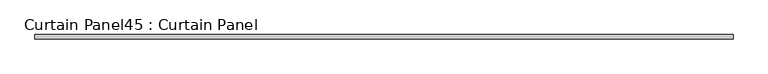
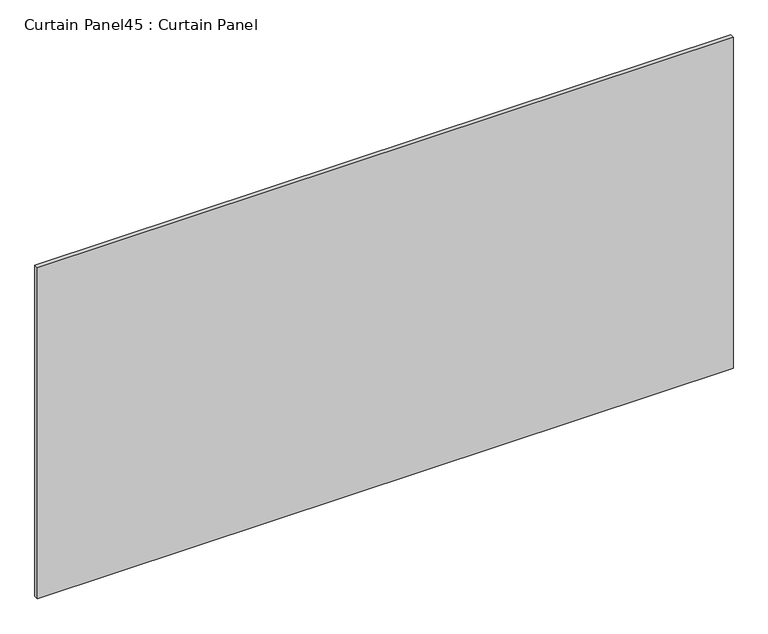
"""IFC4 building model written with IfcOpenShell, lengths in millimetres: plate geometry, Curtain Panel45 : Curtain Panel."""

from ifc_helpers import new_model, si_unit, frame, origin, place, context, project, spatial, polyline, outline, extrude, source, transform, mapped, element, save


def curtain_panel45_curtain_panel_f419d3b4(model_context):
    return source(origin(), model_context, "Body", "SweptSolid", [
        extrude(outline(polyline([(16627.3304088, 1721.1260947), (12664.9304088, 1721.1260947), (12664.9304088, 1746.5260947), (16627.3304088, 1746.5260947), (16627.3304088, 1721.1260947)])), frame((0.0, 0.0, 7963.4108964), z_axis=(0.0, 0.0, 1.0), x_axis=(1.0, 0.0, 0.0)), (0.0, 0.0, 1.0), 1991.9974386),
    ])


if __name__ == "__main__":
    model = new_model("IFC4")
    model_context = context("Model", 3, world=origin())
    ifc_project = project(units=[si_unit("LENGTHUNIT", "METRE", prefix="MILLI")], contexts=[model_context])
    site = spatial("IfcSite", under=ifc_project)
    building = spatial("IfcBuilding", under=site)
    placement = place(None, origin())
    curtain_panel45_curtain_panel_shape = curtain_panel45_curtain_panel_f419d3b4(model_context)
    element("IfcPlate", 1, ObjectType="Curtain Panel45 : Curtain Panel", at=placement, inside=building, context=model_context, shape_type="MappedRepresentation", body=[
        mapped(curtain_panel45_curtain_panel_shape, transform((0.0, 0.0, 0.0), x_axis=(1.0, 0.0, 0.0), y_axis=(0.0, 1.0, 0.0), z_axis=(0.0, 0.0, 1.0))),
    ])
    save(model, "model.ifc")
